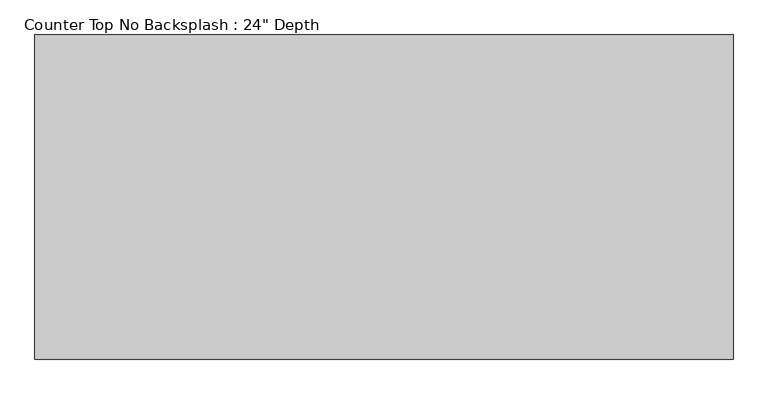
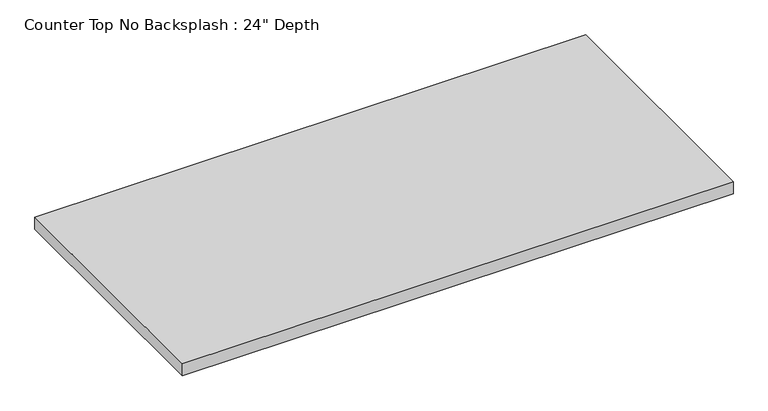
"""IFC4 building model written with IfcOpenShell, lengths in millimetres: furniture geometry."""

from ifc_helpers import new_model, si_unit, frame, origin, place, context, project, spatial, polyline, outline, extrude, source, transform, mapped, element, save


def furniture_53bfe4f4(model_context):
    return source(origin(), model_context, "Body", "SweptSolid", [
        extrude(outline(polyline([(441.0127049, 0.0), (441.0127049, -762.0), (-1200.4622951, -762.0), (-1200.4622951, 0.0), (441.0127049, 0.0)])), frame((0.0, 0.0, 876.3), z_axis=(0.0, 0.0, 1.0), x_axis=(1.0, 0.0, 0.0)), (0.0, 0.0, 1.0), 38.1),
    ])


if __name__ == "__main__":
    model = new_model("IFC4")
    model_context = context("Model", 3, world=origin())
    ifc_project = project(units=[si_unit("LENGTHUNIT", "METRE", prefix="MILLI")], contexts=[model_context])
    site = spatial("IfcSite", under=ifc_project)
    building = spatial("IfcBuilding", under=site)
    placement = place(None, origin())
    furniture_shape = furniture_53bfe4f4(model_context)
    element("IfcFurniture", 1, ObjectType="Counter Top No Backsplash : 24\" Depth", at=placement, inside=building, context=model_context, shape_type="MappedRepresentation", body=[
        mapped(furniture_shape, transform((0.0, 0.0, 0.0), x_axis=(1.0, 0.0, 0.0), y_axis=(0.0, 1.0, 0.0), z_axis=(0.0, 0.0, 1.0))),
    ])
    save(model, "model.ifc")
